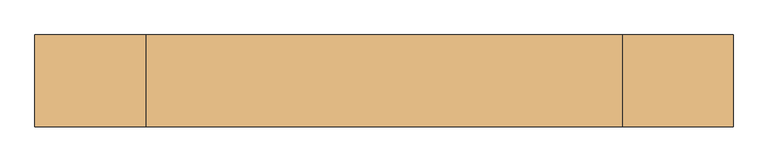
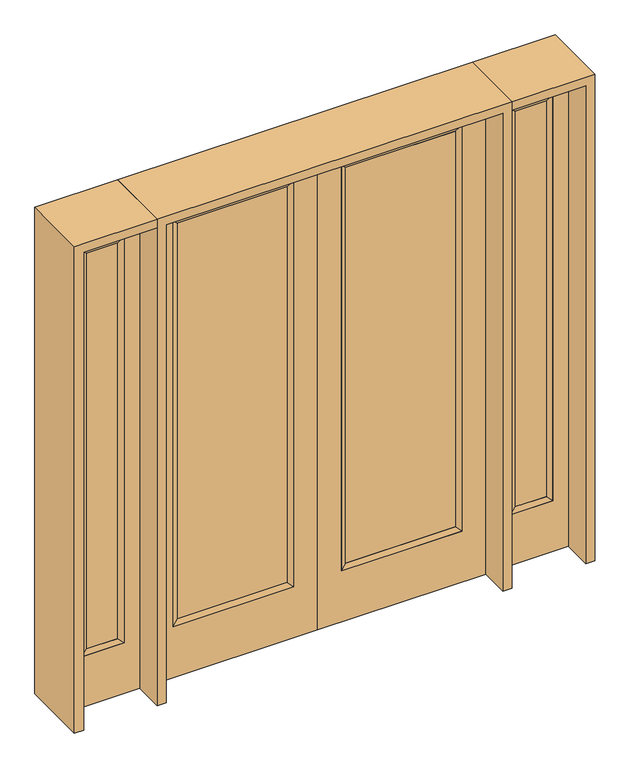
"""IFC4 building model written with IfcOpenShell, lengths in millimetres: door geometry."""

from ifc_helpers import new_model, si_unit, frame, origin, place, context, project, spatial, polyline, outline, extrude, faceted_brep, source, transform, mapped, element, save


def door_11ef24e9(model_context):
    return source(origin(), model_context, "Body", "SolidModel", [
        extrude(outline(polyline([(140.8176, -12.7039749), (140.8176, 14.2875), (671.9824, 14.2875), (671.9824, -12.7039749), (140.8176, -12.7039749)])), frame((0.0, 0.0, 285.75), z_axis=(0.0, 0.0, 1.0), x_axis=(1.0, 0.0, 0.0)), (0.0, 0.0, 1.0), 2019.3),
        faceted_brep([(140.8176, 14.2875, 2305.05), (140.8176, 14.2875, 285.75), (115.4176, 22.225, 260.35), (115.4176, 22.225, 2330.45), (115.4176, -22.225, 260.35), (115.4176, -22.225, 2330.45), (671.9824, 14.2875, 285.75), (697.3824, 22.225, 260.35), (140.8176, -12.7039749, 2305.05), (140.8176, -12.7039749, 285.75), (671.9824, -12.7039749, 285.75), (697.3824, -22.225, 260.35), (671.9824, 14.2875, 2305.05), (697.3824, 22.225, 2330.45), (671.9824, -12.7039749, 2305.05), (697.3824, -22.225, 2330.45)], [[[0, 1, 2, 3]], [[3, 2, 4, 5]], [[1, 6, 7, 2]], [[8, 9, 1, 0]], [[9, 10, 6, 1]], [[5, 4, 9, 8]], [[4, 11, 10, 9]], [[2, 7, 11, 4]], [[6, 12, 13, 7]], [[10, 14, 12, 6]], [[11, 15, 14, 10]], [[7, 13, 15, 11]], [[12, 0, 3, 13]], [[14, 8, 0, 12]], [[15, 5, 8, 14]], [[13, 3, 5, 15]]]),
        extrude(outline(polyline([(0.0, 812.8), (2438.4, 812.8), (2438.4, 0.0), (0.0, 0.0), (0.0, 812.8)]), holes=[polyline([(260.35, 697.3824), (260.35, 115.4176), (2330.45, 115.4176), (2330.45, 697.3824), (260.35, 697.3824)])]), frame((0.0, -22.225, 0.0), z_axis=(0.0, 1.0, 0.0), x_axis=(0.0, 0.0, 1.0)), (0.0, 0.0, 1.0), 44.45),
        extrude(outline(polyline([(-140.8176, -12.7039749), (-671.9824, -12.7039749), (-671.9824, 14.2875), (-140.8176, 14.2875), (-140.8176, -12.7039749)])), frame((0.0, 0.0, 285.75), z_axis=(0.0, 0.0, 1.0), x_axis=(1.0, 0.0, 0.0)), (0.0, 0.0, 1.0), 2019.3),
        faceted_brep([(-140.8176, 14.2875, 2305.05), (-115.4176, 22.225, 2330.45), (-115.4176, 22.225, 260.35), (-140.8176, 14.2875, 285.75), (-115.4176, -22.225, 2330.45), (-115.4176, -22.225, 260.35), (-697.3824, 22.225, 260.35), (-671.9824, 14.2875, 285.75), (-140.8176, -12.7039749, 2305.05), (-140.8176, -12.7039749, 285.75), (-671.9824, -12.7039749, 285.75), (-697.3824, -22.225, 260.35), (-697.3824, 22.225, 2330.45), (-671.9824, 14.2875, 2305.05), (-671.9824, -12.7039749, 2305.05), (-697.3824, -22.225, 2330.45)], [[[0, 1, 2, 3]], [[1, 4, 5, 2]], [[3, 2, 6, 7]], [[8, 0, 3, 9]], [[9, 3, 7, 10]], [[4, 8, 9, 5]], [[5, 9, 10, 11]], [[2, 5, 11, 6]], [[7, 6, 12, 13]], [[10, 7, 13, 14]], [[11, 10, 14, 15]], [[6, 11, 15, 12]], [[13, 12, 1, 0]], [[14, 13, 0, 8]], [[15, 14, 8, 4]], [[12, 15, 4, 1]]]),
        extrude(outline(polyline([(0.0, -812.8), (0.0, 0.0), (2438.4, 0.0), (2438.4, -812.8), (0.0, -812.8)]), holes=[polyline([(260.35, -697.3824), (2330.45, -697.3824), (2330.45, -115.4176), (260.35, -115.4176), (260.35, -697.3824)])]), frame((0.0, -22.225, 0.0), z_axis=(0.0, 1.0, 0.0), x_axis=(0.0, 0.0, 1.0)), (0.0, 0.0, 1.0), 44.45),
        faceted_brep([(933.45, 20.6375, 2330.45), (933.45, 20.6375, 260.35), (933.45, -20.6375, 260.35), (933.45, -20.6375, 2330.45), (958.85, -12.7, 285.75), (958.85, -12.7, 2305.05), (1136.65, 20.6375, 260.35), (1136.65, -20.6375, 260.35), (958.85, 12.7, 2305.05), (958.85, 12.7, 285.75), (1111.25, 12.7, 285.75), (1111.25, -12.7, 285.75), (1136.65, 20.6375, 2330.45), (1136.65, -20.6375, 2330.45), (1111.25, 12.7, 2305.05), (1111.25, -12.7, 2305.05)], [[[0, 1, 2, 3]], [[3, 2, 4, 5]], [[1, 6, 7, 2]], [[8, 9, 1, 0]], [[9, 10, 6, 1]], [[5, 4, 9, 8]], [[4, 11, 10, 9]], [[2, 7, 11, 4]], [[6, 12, 13, 7]], [[10, 14, 12, 6]], [[11, 15, 14, 10]], [[7, 13, 15, 11]], [[12, 0, 3, 13]], [[14, 8, 0, 12]], [[15, 5, 8, 14]], [[13, 3, 5, 15]]]),
        extrude(outline(polyline([(0.0, 1212.85), (2438.4, 1212.85), (2438.4, 857.25), (0.0, 857.25), (0.0, 1212.85)]), holes=[polyline([(2330.45, 933.45), (2330.45, 1136.65), (260.35, 1136.65), (260.35, 933.45), (2330.45, 933.45)])]), frame((0.0, -20.6375, 0.0), z_axis=(0.0, 1.0, 0.0), x_axis=(0.0, 0.0, 1.0)), (0.0, 0.0, 1.0), 41.275),
        extrude(outline(polyline([(958.85, -12.7), (958.85, 12.7), (1111.25, 12.7), (1111.25, -12.7), (958.85, -12.7)])), frame((0.0, 0.0, 285.75), z_axis=(0.0, 0.0, 1.0), x_axis=(1.0, 0.0, 0.0)), (0.0, 0.0, 1.0), 2019.3),
        faceted_brep([(-933.45, 20.6375, 2330.45), (-933.45, -20.6375, 2330.45), (-933.45, -20.6375, 260.35), (-933.45, 20.6375, 260.35), (-958.85, -12.7, 2305.05), (-958.85, -12.7, 285.75), (-1136.65, -20.6375, 260.35), (-1136.65, 20.6375, 260.35), (-958.85, 12.7, 2305.05), (-958.85, 12.7, 285.75), (-1111.25, 12.7, 285.75), (-1111.25, -12.7, 285.75), (-1136.65, -20.6375, 2330.45), (-1136.65, 20.6375, 2330.45), (-1111.25, 12.7, 2305.05), (-1111.25, -12.7, 2305.05)], [[[0, 1, 2, 3]], [[1, 4, 5, 2]], [[3, 2, 6, 7]], [[8, 0, 3, 9]], [[9, 3, 7, 10]], [[4, 8, 9, 5]], [[5, 9, 10, 11]], [[2, 5, 11, 6]], [[7, 6, 12, 13]], [[10, 7, 13, 14]], [[11, 10, 14, 15]], [[6, 11, 15, 12]], [[13, 12, 1, 0]], [[14, 13, 0, 8]], [[15, 14, 8, 4]], [[12, 15, 4, 1]]]),
        extrude(outline(polyline([(0.0, -1212.85), (0.0, -857.25), (2438.4, -857.25), (2438.4, -1212.85), (0.0, -1212.85)]), holes=[polyline([(2330.45, -933.45), (260.35, -933.45), (260.35, -1136.65), (2330.45, -1136.65), (2330.45, -933.45)])]), frame((0.0, -20.6375, 0.0), z_axis=(0.0, 1.0, 0.0), x_axis=(0.0, 0.0, 1.0)), (0.0, 0.0, 1.0), 41.275),
        extrude(outline(polyline([(-958.85, -12.7), (-1111.25, -12.7), (-1111.25, 12.7), (-958.85, 12.7), (-958.85, -12.7)])), frame((0.0, 0.0, 285.75), z_axis=(0.0, 0.0, 1.0), x_axis=(1.0, 0.0, 0.0)), (0.0, 0.0, 1.0), 2019.3),
        extrude(outline(polyline([(2438.4, -857.25), (2482.85, -857.25), (2482.85, -1257.3), (0.0, -1257.3), (0.0, -1212.85), (2438.4, -1212.85), (2438.4, -857.25)])), frame((0.0, -165.1, 0.0), z_axis=(0.0, 1.0, 0.0), x_axis=(0.0, 0.0, 1.0)), (0.0, 0.0, 1.0), 330.2),
        extrude(outline(polyline([(2482.85, -857.25), (0.0, -857.25), (0.0, -812.8), (2438.4, -812.8), (2438.4, 812.8), (0.0, 812.8), (0.0, 857.25), (2482.85, 857.25), (2482.85, -857.25)])), frame((0.0, -165.1, 0.0), z_axis=(0.0, 1.0, 0.0), x_axis=(0.0, 0.0, 1.0)), (0.0, 0.0, 1.0), 330.2),
        extrude(outline(polyline([(0.0, 1212.85), (0.0, 1257.3), (2482.85, 1257.3), (2482.85, 857.25), (2438.4, 857.25), (2438.4, 1212.85), (0.0, 1212.85)])), frame((0.0, -165.1, 0.0), z_axis=(0.0, 1.0, 0.0), x_axis=(0.0, 0.0, 1.0)), (0.0, 0.0, 1.0), 330.2),
    ])


if __name__ == "__main__":
    model = new_model("IFC4")
    model_context = context("Model", 3, world=origin())
    ifc_project = project(units=[si_unit("LENGTHUNIT", "METRE", prefix="MILLI")], contexts=[model_context])
    site = spatial("IfcSite", under=ifc_project)
    building = spatial("IfcBuilding", under=site)
    placement = place(None, origin())
    door_shape = door_11ef24e9(model_context)
    element("IfcDoor", 1, at=placement, inside=building, context=model_context, shape_type="MappedRepresentation", body=[
        mapped(door_shape, transform((0.0, 0.0, 0.0), x_axis=(1.0, 0.0, 0.0), y_axis=(0.0, 1.0, 0.0), z_axis=(0.0, 0.0, 1.0))),
    ])
    save(model, "model.ifc")
